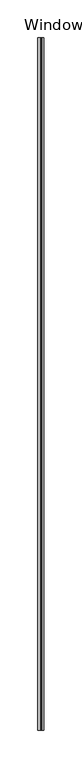
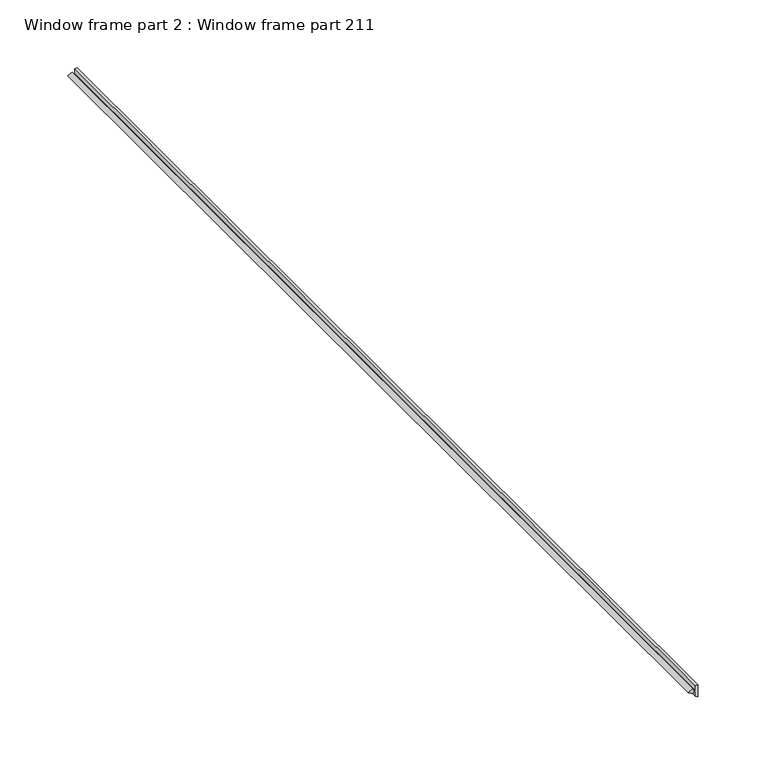
"""IFC4 building model written with IfcOpenShell, lengths in millimetres: proxy geometry, Window frame part 2 : Window frame part 211."""

from ifc_helpers import new_model, si_unit, frame, origin, place, context, project, spatial, polyline, outline, extrude, source, transform, mapped, element, save


def window_frame_part_2_window_frame_part_211_42249580(model_context):
    return source(origin(), model_context, "Body", "SweptSolid", [
        extrude(outline(polyline([(1967.1624573, 37053.786354), (1967.1624573, 37051.411454), (1963.1819029, 37051.411454), (1963.1819029, 37050.253416), (1964.9309914, 37049.5145183), (1962.7850277, 37045.7976002), (1960.6390641, 37049.5145182), (1962.3881529, 37050.253416), (1962.3881529, 37051.411454), (1957.6374573, 37051.411454), (1956.2663082, 37053.786354), (1964.4131837, 37053.786354), (1967.1624573, 37053.786354)])), frame((0.0, -25196.3529946, 0.0), z_axis=(0.0, 1.0, 0.0), x_axis=(0.0, 0.0, 1.0)), (0.0, 0.0, 1.0), 914.4),
    ])


if __name__ == "__main__":
    model = new_model("IFC4")
    model_context = context("Model", 3, world=origin())
    ifc_project = project(units=[si_unit("LENGTHUNIT", "METRE", prefix="MILLI")], contexts=[model_context])
    site = spatial("IfcSite", under=ifc_project)
    building = spatial("IfcBuilding", under=site)
    placement = place(None, origin())
    window_frame_part_2_window_frame_part_211_shape = window_frame_part_2_window_frame_part_211_42249580(model_context)
    element("IfcBuildingElementProxy", 1, Name="Window frame part 2 : Window frame part 211", ObjectType="Window frame part 2 : Window frame part 211", at=placement, inside=building, context=model_context, shape_type="MappedRepresentation", body=[
        mapped(window_frame_part_2_window_frame_part_211_shape, transform((0.0, 0.0, 0.0), x_axis=(1.0, 0.0, 0.0), y_axis=(0.0, 1.0, 0.0), z_axis=(0.0, 0.0, 1.0))),
    ])
    save(model, "model.ifc")
